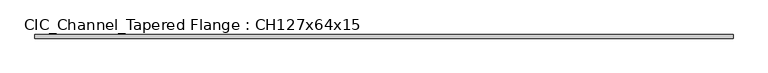
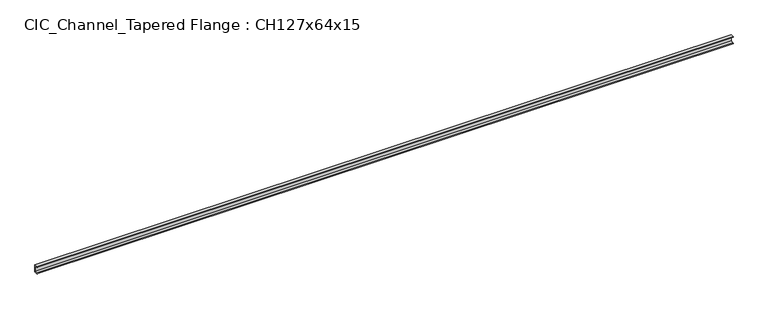
"""IFC4 building model written with IfcOpenShell, lengths in millimetres: beam geometry, CIC_Channel_Tapered Flange : CH127x64x15."""

import ifcopenshell
import ifcopenshell.guid

model = None  # the IFC model being written
_history = None  # IfcOwnerHistory: only IFC2X3 demands one
_inside = {}  # id of a spatial element -> (the spatial element, [elements in it])
_under = {}  # id of a project, library or spatial element -> (it, [spatial elements below it])
_declared = {}  # id of a project -> (the project, [libraries it declares])
_typed = {}  # id of a type object -> (the type object, [elements of that type])
_made_of = {}  # id of a material, layer set ... -> (it, [elements and type objects made of it])


def new_model(schema):
    """Start an empty IFC model of exactly this schema.

    Asked for "IFC4X3", IfcOpenShell would pick the latest addendum, in which some entities
    have other attributes; the version numbers below select the first issue.
    IFC2X3 requires an IfcOwnerHistory on every rooted entity: one is made here for all.
    """
    global model, _history
    if schema == "IFC4X3":
        model = ifcopenshell.file(schema_version=(4, 3, 0, 0))
    else:
        model = ifcopenshell.file(schema=schema)
    _inside.clear()
    _under.clear()
    _declared.clear()
    _typed.clear()
    _made_of.clear()
    _history = None
    if model.schema == "IFC2X3":
        org = make("IfcOrganization", Name="unknown")
        user = make(
            "IfcPersonAndOrganization",
            ThePerson=make("IfcPerson", FamilyName="unknown"),
            TheOrganization=org,
        )
        app = make(
            "IfcApplication",
            ApplicationDeveloper=org,
            Version="unknown",
            ApplicationFullName="unknown",
            ApplicationIdentifier="unknown",
        )
        _history = make(
            "IfcOwnerHistory",
            OwningUser=user,
            OwningApplication=app,
            ChangeAction="ADDED",
            CreationDate=0,
        )
    return model


def make(cls, **values):
    """One entity of the class cls with the attributes given. An attribute that is None is left unset."""
    return model.create_entity(
        cls, **{name: value for name, value in values.items() if value is not None}
    )


def rooted(cls, **values):
    """An entity with a GlobalId (a new one), such as an element, a storey or a relation."""
    return make(cls, GlobalId=ifcopenshell.guid.new(), OwnerHistory=_history, **values)


def si_unit(unit_type, name, prefix=None):
    """IfcSIUnit, for example si_unit("LENGTHUNIT", "METRE", prefix="MILLI")."""
    return make("IfcSIUnit", UnitType=unit_type, Prefix=prefix, Name=name)


def assignment(units):
    """IfcUnitAssignment: the units of a project."""
    return None if units is None else make("IfcUnitAssignment", Units=units)


def point(xyz):
    """IfcCartesianPoint."""
    return None if xyz is None else make("IfcCartesianPoint", Coordinates=xyz)


def direction(xyz):
    """IfcDirection."""
    return None if xyz is None else make("IfcDirection", DirectionRatios=xyz)


def frame(location, z_axis=None, x_axis=None):
    """IfcAxis2Placement3D, a coordinate frame: its origin and axes. An axis left out is left unset."""
    return make(
        "IfcAxis2Placement3D",
        Location=point(location),
        Axis=direction(z_axis),
        RefDirection=direction(x_axis),
    )


def frame_2d(location, x_axis=None):
    """IfcAxis2Placement2D, a coordinate frame in the plane: its origin and x axis."""
    return make(
        "IfcAxis2Placement2D", Location=point(location), RefDirection=direction(x_axis)
    )


def origin():
    """The frame at (0, 0, 0) with its axes left unset."""
    return frame((0.0, 0.0, 0.0))


def place(relative_to, where):
    """IfcLocalPlacement: puts the frame where relative to a parent placement (None: the world)."""
    return make(
        "IfcLocalPlacement", PlacementRelTo=relative_to, RelativePlacement=where
    )


def context(
    kind, dimensions, precision=None, world=None, true_north=None, identifier=None
):
    """IfcGeometricRepresentationContext, for example the 3D "Model" context."""
    return make(
        "IfcGeometricRepresentationContext",
        ContextIdentifier=identifier,
        ContextType=kind,
        CoordinateSpaceDimension=dimensions,
        Precision=precision,
        WorldCoordinateSystem=world,
        TrueNorth=true_north,
    )


def project(units=None, contexts=None):
    """IfcProject with its units and contexts."""
    return rooted(
        "IfcProject",
        Name="project",
        RepresentationContexts=contexts,
        UnitsInContext=assignment(units),
    )


def spatial(cls, under=None, at=None, **own):
    """A site, building, storey or space (cls), placed at a placement, below another one or the project."""
    s = rooted(cls, ObjectPlacement=at, **own)
    if under is not None:
        _under.setdefault(under.id(), (under, []))[1].append(s)
    return s


def polyline(points):
    """IfcPolyline through the points."""
    return make("IfcPolyline", Points=[point(p) for p in points])


def circle_curve(where, radius):
    """IfcCircle in the frame where."""
    return make("IfcCircle", Position=where, Radius=radius)


def trimmed(basis, trim1, trim2, sense, master):
    """IfcTrimmedCurve: the piece of a basis curve between two trims."""
    return make(
        "IfcTrimmedCurve",
        BasisCurve=basis,
        Trim1=trim1,
        Trim2=trim2,
        SenseAgreement=sense,
        MasterRepresentation=master,
    )


def segment(curve, same_sense, transition):
    """IfcCompositeCurveSegment."""
    return make(
        "IfcCompositeCurveSegment",
        Transition=transition,
        SameSense=same_sense,
        ParentCurve=curve,
    )


def composite_curve(segments, self_intersect=None):
    """IfcCompositeCurve: segments joined end to end."""
    return make("IfcCompositeCurve", Segments=segments, SelfIntersect=self_intersect)


def outline(outer, holes=None, kind="AREA"):
    """IfcArbitraryClosedProfileDef: a profile drawn as a closed curve; with holes, ...WithVoids."""
    if holes is None:
        return make("IfcArbitraryClosedProfileDef", ProfileType=kind, OuterCurve=outer)
    return make(
        "IfcArbitraryProfileDefWithVoids",
        ProfileType=kind,
        OuterCurve=outer,
        InnerCurves=holes,
    )


def extrude(swept, where, along, depth):
    """IfcExtrudedAreaSolid: the profile swept, set in the frame where, extruded along a direction by depth."""
    return make(
        "IfcExtrudedAreaSolid",
        SweptArea=swept,
        Position=where,
        ExtrudedDirection=direction(along),
        Depth=depth,
    )


def shape(context_of_items, identifier, shape_type, items):
    """IfcShapeRepresentation: the items that make up one representation, for example the "Body"."""
    return make(
        "IfcShapeRepresentation",
        ContextOfItems=context_of_items,
        RepresentationIdentifier=identifier,
        RepresentationType=shape_type,
        Items=items,
    )


def source(mapping_origin, context_of_items, identifier, shape_type, items):
    """IfcRepresentationMap: a shape defined once, which mapped items show again and again."""
    return make(
        "IfcRepresentationMap",
        MappingOrigin=mapping_origin,
        MappedRepresentation=shape(context_of_items, identifier, shape_type, items),
    )


def transform(
    local_origin,
    x_axis=None,
    y_axis=None,
    z_axis=None,
    scale=None,
    scale2=None,
    scale3=None,
    uniform=True,
):
    """IfcCartesianTransformationOperator3D, or its non-uniform kind. x_axis, y_axis, z_axis: its Axis1, 2, 3."""
    if uniform:
        return make(
            "IfcCartesianTransformationOperator3D",
            Axis1=direction(x_axis),
            Axis2=direction(y_axis),
            LocalOrigin=point(local_origin),
            Scale=scale,
            Axis3=direction(z_axis),
        )
    return make(
        "IfcCartesianTransformationOperator3DnonUniform",
        Axis1=direction(x_axis),
        Axis2=direction(y_axis),
        LocalOrigin=point(local_origin),
        Scale=scale,
        Axis3=direction(z_axis),
        Scale2=scale2,
        Scale3=scale3,
    )


def mapped(mapping_source, mapping_target):
    """IfcMappedItem: shows the shape of a source again, moved by a transform."""
    return make(
        "IfcMappedItem", MappingSource=mapping_source, MappingTarget=mapping_target
    )


def made_of(thing, what):
    """Note that an element or type object is made of a material, layer set ...; save() writes the relation."""
    if what is not None:
        _made_of.setdefault(what.id(), (what, []))[1].append(thing)
    return thing


def element(
    cls,
    number,
    at=None,
    inside=None,
    cuts=None,
    type_object=None,
    material=None,
    context=None,
    identifier="Body",
    shape_type=None,
    held_by="IfcProductDefinitionShape",
    body=None,
    shapes=None,
    **own,
):
    """One element of the class cls, such as IfcWall. Its Tag is "e" and its number.

    at: its placement. inside: the storey or other place that contains it. cuts: it is an
    opening in that element (IfcRelVoidsElement). A single representation is given by context,
    identifier, shape_type and body (its items); several are given by shapes. held_by: the class
    of the entity that holds the representations. save() writes the other relations.
    """
    e = rooted(cls, Tag="e%d" % number, ObjectPlacement=at, **own)
    if body is not None:
        shapes = [shape(context, identifier, shape_type, body)]
    if shapes is not None:
        e.Representation = make(held_by, Representations=shapes)
    if inside is not None:
        _inside.setdefault(inside.id(), (inside, []))[1].append(e)
    if cuts is not None:
        rooted(
            "IfcRelVoidsElement", RelatingBuildingElement=cuts, RelatedOpeningElement=e
        )
    if type_object is not None:
        _typed.setdefault(type_object.id(), (type_object, []))[1].append(e)
    return made_of(e, material)


def aggregate(whole, parts):
    """IfcRelAggregates: a whole, such as a stair, and the parts it consists of."""
    return rooted("IfcRelAggregates", RelatingObject=whole, RelatedObjects=parts)


def save(model, path):
    """Write the relations noted so far, then the file.

    IfcRelAggregates (storeys below a building ...), IfcRelContainedInSpatialStructure (elements
    in a storey), IfcRelDefinesByType, IfcRelAssociatesMaterial and IfcRelDeclares: one each for
    every whole, place, type object, material and project.
    """
    for whole, parts in _under.values():
        aggregate(whole, parts)
    for where, things in _inside.values():
        rooted(
            "IfcRelContainedInSpatialStructure",
            RelatedElements=things,
            RelatingStructure=where,
        )
    for kind, things in _typed.values():
        rooted("IfcRelDefinesByType", RelatedObjects=things, RelatingType=kind)
    for what, things in _made_of.values():
        rooted("IfcRelAssociatesMaterial", RelatedObjects=things, RelatingMaterial=what)
    for by, libraries in _declared.values():
        rooted("IfcRelDeclares", RelatingContext=by, RelatedDefinitions=libraries)
    model.write(path)


def cic_channel_tapered_flange_ch127x64x15_37f52ce1(model_context):
    return source(origin(), model_context, "Body", "SweptSolid", [
        extrude(outline(composite_curve([segment(polyline([(19.4, 63.5), (19.4, -63.5), (-44.1, -63.5)]), True, "CONTINUOUS"), segment(trimmed(circle_curve(frame_2d((-34.9, -63.5)), 9.2), [point((-44.1, -63.5))], [point((-34.9, -54.3))], False, "CARTESIAN"), True, "CONTINUOUS"), segment(polyline([(-34.9, -54.3), (13.0, -46.7133853), (13.0, 46.7133853), (-34.9, 54.3)]), True, "CONTINUOUS"), segment(trimmed(circle_curve(frame_2d((-34.9, 63.5)), 9.2), [point((-34.9, 54.3))], [point((-44.1, 63.5))], False, "CARTESIAN"), True, "CONTINUOUS"), segment(polyline([(-44.1, 63.5), (19.4, 63.5)]), True, "CONTINUOUS")], self_intersect=False)), frame((-6172.1, 0.0, 0.0), z_axis=(1.0, 0.0, 0.0), x_axis=(0.0, 1.0, 0.0)), (0.0, 0.0, 1.0), 12344.2),
    ])


if __name__ == "__main__":
    model = new_model("IFC4")
    model_context = context("Model", 3, world=origin())
    ifc_project = project(units=[si_unit("LENGTHUNIT", "METRE", prefix="MILLI")], contexts=[model_context])
    site = spatial("IfcSite", under=ifc_project)
    building = spatial("IfcBuilding", under=site)
    placement = place(None, origin())
    cic_channel_tapered_flange_ch127x64x15_shape = cic_channel_tapered_flange_ch127x64x15_37f52ce1(model_context)
    element("IfcBeam", 1, ObjectType="CIC_Channel_Tapered Flange : CH127x64x15", at=placement, inside=building, context=model_context, shape_type="MappedRepresentation", body=[
        mapped(cic_channel_tapered_flange_ch127x64x15_shape, transform((0.0, 0.0, 0.0), x_axis=(1.0, 0.0, 0.0), y_axis=(0.0, 1.0, 0.0), z_axis=(0.0, 0.0, 1.0))),
    ])
    save(model, "model.ifc")
